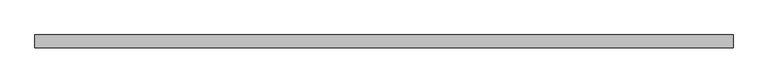
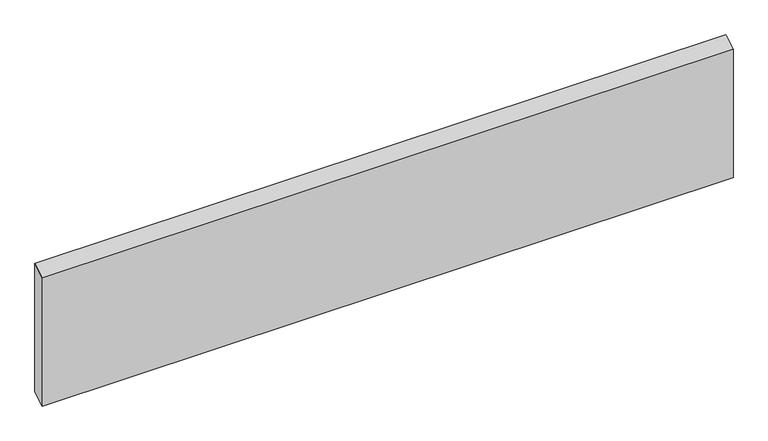
"""IFC4 building model written with IfcOpenShell, lengths in millimetres: beam geometry."""

from ifc_helpers import new_model, si_unit, frame, origin, place, context, project, spatial, polyline, outline, extrude, source, transform, mapped, element, save


def beam_04136dc7(model_context):
    return source(origin(), model_context, "Body", "SweptSolid", [
        extrude(outline(polyline([(11.0, 122.1870332), (11.0, -109.3536999), (-11.0, -122.1870332), (-11.0, 109.3536999), (11.0, 122.1870332)])), frame((-589.0, 0.0, 0.0), z_axis=(1.0, 0.0, 0.0), x_axis=(0.0, 1.0, 0.0)), (0.0, 0.0, 1.0), 1178.0),
    ])


if __name__ == "__main__":
    model = new_model("IFC4")
    model_context = context("Model", 3, world=origin())
    ifc_project = project(units=[si_unit("LENGTHUNIT", "METRE", prefix="MILLI")], contexts=[model_context])
    site = spatial("IfcSite", under=ifc_project)
    building = spatial("IfcBuilding", under=site)
    placement = place(None, origin())
    beam_shape = beam_04136dc7(model_context)
    element("IfcBeam", 1, at=placement, inside=building, context=model_context, shape_type="MappedRepresentation", body=[
        mapped(beam_shape, transform((0.0, 0.0, 0.0), x_axis=(1.0, 0.0, 0.0), y_axis=(0.0, 1.0, 0.0), z_axis=(0.0, 0.0, 1.0))),
    ])
    save(model, "model.ifc")
